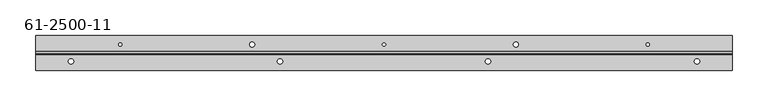
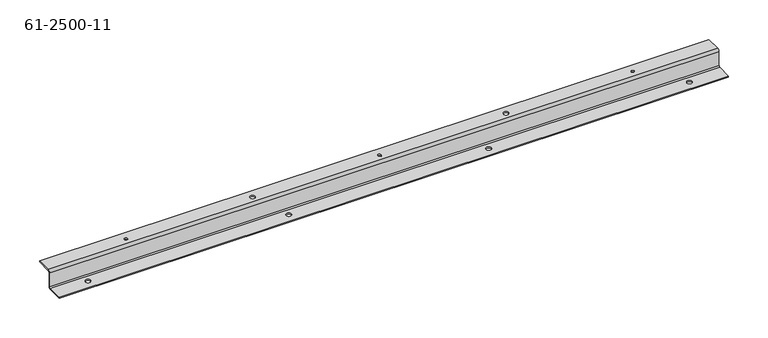
"""IFC4 building model written with IfcOpenShell, lengths in millimetres: proxy geometry, 61-2500-11."""

from ifc_helpers import new_model, si_unit, frame, origin, place, context, project, spatial, polyline, circle_curve, source, transform, mapped, element, save
from ifc_brep_helpers import plane_surface, cylinder_surface, revolved_surface, advanced_brep


def proxy_61_2500_11_7cb4d762(model_context):
    return source(origin(), model_context, "Body", "AdvancedBrep", [
        advanced_brep(
        [(930.2496, 12.7, 0.0), (930.2496, 12.7, 1.6129), (923.0106, 12.7, 1.6129), (923.0106, 12.7, 0.0), (345.9226, 12.7, 0.0), (345.9226, 12.7, 1.6129), (338.6836, 12.7, 1.6129), (338.6836, 12.7, 0.0), (53.1114, 12.7, 0.0), (53.1114, 12.7, 1.6129), (45.8724, 12.7, 1.6129), (45.8724, 12.7, 0.0), (637.4384, 12.7, 0.0), (637.4384, 12.7, 1.6129), (630.1994, 12.7, 1.6129), (630.1994, 12.7, 0.0), (859.8027, 36.4871, 26.3271), (859.8027, 36.4871, 27.94), (855.4593, 36.4871, 27.94), (855.4593, 36.4871, 26.3271), (120.6627, 36.4871, 26.3271), (120.6627, 36.4871, 27.94), (116.3193, 36.4871, 27.94), (116.3193, 36.4871, 26.3271), (490.2327, 36.4871, 26.3271), (490.2327, 36.4871, 27.94), (485.8893, 36.4871, 27.94), (485.8893, 36.4871, 26.3271), (306.8955, 36.4871, 26.3271), (306.8955, 36.4871, 27.94), (299.6565, 36.4871, 27.94), (299.6565, 36.4871, 26.3271), (676.4655, 36.4871, 26.3271), (676.4655, 36.4871, 27.94), (669.2265, 36.4871, 27.94), (669.2265, 36.4871, 26.3271), (976.122, 27.0129, 27.94), (0.0, 27.0129, 27.94), (0.0, 23.7871, 24.7142), (976.122, 23.7871, 24.7142), (0.0, 27.0129, 26.3271), (976.122, 27.0129, 26.3271), (976.122, 25.4, 24.7142), (0.0, 25.4, 24.7142), (976.122, 25.4, 3.2258), (0.0, 25.4, 3.2258), (976.122, 22.1742, 0.0), (0.0, 22.1742, 0.0), (976.122, 23.7871, 3.2258), (0.0, 23.7871, 3.2258), (0.0, 22.1742, 1.6129), (976.122, 22.1742, 1.6129), (976.122, 0.0, 0.0), (0.0, 0.0, 0.0), (976.122, 0.0, 1.6129), (0.0, 0.0, 1.6129), (0.0, 49.1871, 27.94), (0.0, 49.1871, 26.3271), (976.122, 49.1871, 27.94), (976.122, 49.1871, 26.3271)],
        [
            (0, 1),
            (1, 2, circle_curve(frame((926.6301, 12.7, 1.6129), z_axis=(0.0, 0.0, 1.0), x_axis=(1.0, 0.0, 0.0)), 3.6195)),
            (2, 3),
            (3, 0, circle_curve(frame((926.6301, 12.7, 0.0), z_axis=(0.0, 0.0, -1.0), x_axis=(1.0, 0.0, 0.0)), 3.6195)),
            (4, 5),
            (5, 6, circle_curve(frame((342.3031, 12.7, 1.6129), z_axis=(0.0, 0.0, 1.0), x_axis=(1.0, 0.0, 0.0)), 3.6195)),
            (6, 7),
            (7, 4, circle_curve(frame((342.3031, 12.7, 0.0), z_axis=(0.0, 0.0, -1.0), x_axis=(1.0, 0.0, 0.0)), 3.6195)),
            (8, 9),
            (9, 10, circle_curve(frame((49.4919, 12.7, 1.6129), z_axis=(0.0, 0.0, 1.0), x_axis=(1.0, 0.0, 0.0)), 3.6195)),
            (10, 11),
            (11, 8, circle_curve(frame((49.4919, 12.7, 0.0), z_axis=(0.0, 0.0, -1.0), x_axis=(1.0, 0.0, 0.0)), 3.6195)),
            (12, 13),
            (13, 14, circle_curve(frame((633.8189, 12.7, 1.6129), z_axis=(0.0, 0.0, 1.0), x_axis=(1.0, 0.0, 0.0)), 3.6195)),
            (14, 15),
            (15, 12, circle_curve(frame((633.8189, 12.7, 0.0), z_axis=(0.0, 0.0, -1.0), x_axis=(1.0, 0.0, 0.0)), 3.6195)),
            (16, 17),
            (17, 18, circle_curve(frame((857.631, 36.4871, 27.94), z_axis=(0.0, 0.0, 1.0), x_axis=(1.0, 0.0, 0.0)), 2.1717)),
            (18, 19),
            (19, 16, circle_curve(frame((857.631, 36.4871, 26.3271), z_axis=(0.0, 0.0, -1.0), x_axis=(1.0, 0.0, 0.0)), 2.1717)),
            (20, 21),
            (21, 22, circle_curve(frame((118.491, 36.4871, 27.94), z_axis=(0.0, 0.0, 1.0), x_axis=(1.0, 0.0, 0.0)), 2.1717)),
            (22, 23),
            (23, 20, circle_curve(frame((118.491, 36.4871, 26.3271), z_axis=(0.0, 0.0, -1.0), x_axis=(1.0, 0.0, 0.0)), 2.1717)),
            (24, 25),
            (25, 26, circle_curve(frame((488.061, 36.4871, 27.94), z_axis=(0.0, 0.0, 1.0), x_axis=(1.0, 0.0, 0.0)), 2.1717)),
            (26, 27),
            (27, 24, circle_curve(frame((488.061, 36.4871, 26.3271), z_axis=(0.0, 0.0, -1.0), x_axis=(1.0, 0.0, 0.0)), 2.1717)),
            (28, 29),
            (29, 30, circle_curve(frame((303.276, 36.4871, 27.94), z_axis=(0.0, 0.0, 1.0), x_axis=(1.0, 0.0, 0.0)), 3.6195)),
            (30, 31),
            (31, 28, circle_curve(frame((303.276, 36.4871, 26.3271), z_axis=(0.0, 0.0, -1.0), x_axis=(1.0, 0.0, 0.0)), 3.6195)),
            (32, 33),
            (33, 34, circle_curve(frame((672.846, 36.4871, 27.94), z_axis=(0.0, 0.0, 1.0), x_axis=(1.0, 0.0, 0.0)), 3.6195)),
            (34, 35),
            (35, 32, circle_curve(frame((672.846, 36.4871, 26.3271), z_axis=(0.0, 0.0, -1.0), x_axis=(1.0, 0.0, 0.0)), 3.6195)),
            (32, 35, circle_curve(frame((672.846, 36.4871, 26.3271), z_axis=(0.0, 0.0, -1.0), x_axis=(1.0, 0.0, 0.0)), 3.6195)),
            (34, 33, circle_curve(frame((672.846, 36.4871, 27.94), z_axis=(0.0, 0.0, 1.0), x_axis=(1.0, 0.0, 0.0)), 3.6195)),
            (28, 31, circle_curve(frame((303.276, 36.4871, 26.3271), z_axis=(0.0, 0.0, -1.0), x_axis=(1.0, 0.0, 0.0)), 3.6195)),
            (30, 29, circle_curve(frame((303.276, 36.4871, 27.94), z_axis=(0.0, 0.0, 1.0), x_axis=(1.0, 0.0, 0.0)), 3.6195)),
            (24, 27, circle_curve(frame((488.061, 36.4871, 26.3271), z_axis=(0.0, 0.0, -1.0), x_axis=(1.0, 0.0, 0.0)), 2.1717)),
            (26, 25, circle_curve(frame((488.061, 36.4871, 27.94), z_axis=(0.0, 0.0, 1.0), x_axis=(1.0, 0.0, 0.0)), 2.1717)),
            (20, 23, circle_curve(frame((118.491, 36.4871, 26.3271), z_axis=(0.0, 0.0, -1.0), x_axis=(1.0, 0.0, 0.0)), 2.1717)),
            (22, 21, circle_curve(frame((118.491, 36.4871, 27.94), z_axis=(0.0, 0.0, 1.0), x_axis=(1.0, 0.0, 0.0)), 2.1717)),
            (16, 19, circle_curve(frame((857.631, 36.4871, 26.3271), z_axis=(0.0, 0.0, -1.0), x_axis=(1.0, 0.0, 0.0)), 2.1717)),
            (18, 17, circle_curve(frame((857.631, 36.4871, 27.94), z_axis=(0.0, 0.0, 1.0), x_axis=(1.0, 0.0, 0.0)), 2.1717)),
            (12, 15, circle_curve(frame((633.8189, 12.7, 0.0), z_axis=(0.0, 0.0, -1.0), x_axis=(1.0, 0.0, 0.0)), 3.6195)),
            (14, 13, circle_curve(frame((633.8189, 12.7, 1.6129), z_axis=(0.0, 0.0, 1.0), x_axis=(1.0, 0.0, 0.0)), 3.6195)),
            (8, 11, circle_curve(frame((49.4919, 12.7, 0.0), z_axis=(0.0, 0.0, -1.0), x_axis=(1.0, 0.0, 0.0)), 3.6195)),
            (10, 9, circle_curve(frame((49.4919, 12.7, 1.6129), z_axis=(0.0, 0.0, 1.0), x_axis=(1.0, 0.0, 0.0)), 3.6195)),
            (4, 7, circle_curve(frame((342.3031, 12.7, 0.0), z_axis=(0.0, 0.0, -1.0), x_axis=(1.0, 0.0, 0.0)), 3.6195)),
            (6, 5, circle_curve(frame((342.3031, 12.7, 1.6129), z_axis=(0.0, 0.0, 1.0), x_axis=(1.0, 0.0, 0.0)), 3.6195)),
            (0, 3, circle_curve(frame((926.6301, 12.7, 0.0), z_axis=(0.0, 0.0, -1.0), x_axis=(1.0, 0.0, 0.0)), 3.6195)),
            (2, 1, circle_curve(frame((926.6301, 12.7, 1.6129), z_axis=(0.0, 0.0, 1.0), x_axis=(1.0, 0.0, 0.0)), 3.6195)),
            (36, 37),
            (37, 38, circle_curve(frame((0.0, 27.0129, 24.7142), z_axis=(1.0, 0.0, 0.0), x_axis=(0.0, -1.0, 0.0)), 3.2258)),
            (38, 39),
            (39, 36, circle_curve(frame((976.122, 27.0129, 24.7142), z_axis=(-1.0, 0.0, 0.0), x_axis=(0.0, -1.0, 0.0)), 3.2258)),
            (40, 41),
            (41, 42, circle_curve(frame((976.122, 27.0129, 24.7142), z_axis=(1.0, 0.0, 0.0), x_axis=(0.0, -1.0, 0.0)), 1.6129)),
            (42, 43),
            (43, 40, circle_curve(frame((0.0, 27.0129, 24.7142), z_axis=(-1.0, 0.0, 0.0), x_axis=(0.0, -1.0, 0.0)), 1.6129)),
            (42, 44),
            (44, 45),
            (45, 43),
            (44, 46, circle_curve(frame((976.122, 22.1742, 3.2258), z_axis=(-1.0, 0.0, 0.0), x_axis=(0.0, 0.0, -1.0)), 3.2258)),
            (46, 47),
            (47, 45, circle_curve(frame((0.0, 22.1742, 3.2258), z_axis=(1.0, 0.0, 0.0), x_axis=(0.0, 0.0, -1.0)), 3.2258)),
            (48, 49),
            (49, 50, circle_curve(frame((0.0, 22.1742, 3.2258), z_axis=(-1.0, 0.0, 0.0), x_axis=(0.0, 0.0, -1.0)), 1.6129)),
            (50, 51),
            (51, 48, circle_curve(frame((976.122, 22.1742, 3.2258), z_axis=(1.0, 0.0, 0.0), x_axis=(0.0, 0.0, -1.0)), 1.6129)),
            (46, 52),
            (52, 53),
            (53, 47),
            (54, 55),
            (55, 53),
            (52, 54),
            (50, 55),
            (54, 51),
            (38, 49),
            (48, 39),
            (37, 56),
            (56, 57),
            (57, 40),
            (36, 58),
            (58, 56),
            (41, 59),
            (59, 58),
            (59, 57),
        ],
        [
            revolved_surface(polyline([(930.2496, 12.7, 1.6128999999999678), (930.2496, 12.7, 0.0)]), (926.6301, 12.7, -976.1468728), (0.0, 0.0, 1.0)),
            revolved_surface(polyline([(345.9226, 12.7, 1.6128999999999678), (345.9226, 12.7, 0.0)]), (342.3031, 12.7, -976.1468728), (0.0, 0.0, 1.0)),
            revolved_surface(polyline([(53.1114, 12.7, 1.6128999999999678), (53.1114, 12.7, 0.0)]), (49.4919, 12.7, -976.1468728), (0.0, 0.0, 1.0)),
            revolved_surface(polyline([(637.4384, 12.7, 1.6128999999999678), (637.4384, 12.7, 0.0)]), (633.8189, 12.7, -976.1468728), (0.0, 0.0, 1.0)),
            revolved_surface(polyline([(859.8027, 36.4871, 27.940000000000055), (859.8027, 36.4871, 26.327099999999973)]), (857.631, 36.4871, -949.8197728), (0.0, 0.0, 1.0)),
            revolved_surface(polyline([(120.6627, 36.4871, 27.940000000000055), (120.6627, 36.4871, 26.327099999999973)]), (118.491, 36.4871, -949.8197728), (0.0, 0.0, 1.0)),
            revolved_surface(polyline([(490.23269999999997, 36.4871, 27.940000000000055), (490.23269999999997, 36.4871, 26.327099999999973)]), (488.061, 36.4871, -949.8197728), (0.0, 0.0, 1.0)),
            revolved_surface(polyline([(306.8955, 36.4871, 27.94), (306.8955, 36.4871, 26.3271)]), (303.276, 36.4871, 27.13355), (0.0, 0.0, 1.0)),
            revolved_surface(polyline([(676.4655, 36.4871, 27.94), (676.4655, 36.4871, 26.3271)]), (672.846, 36.4871, 27.13355), (0.0, 0.0, 1.0)),
            cylinder_surface(frame((488.061, 27.0129, 24.7142), z_axis=(-1.0, 0.0, 0.0), x_axis=(0.0, -1.0, 0.0)), 3.2258),
            revolved_surface(polyline([(0.0, 25.4, 24.7142), (976.122, 25.4, 24.7142)]), (488.061, 27.0129, 24.7142), (-1.0, 0.0, 0.0)),
            plane_surface(frame((488.061, 25.4, 13.97), z_axis=(0.0, 1.0, 0.0), x_axis=(0.0, 0.0, 1.0))),
            cylinder_surface(frame((488.061, 22.1742, 3.2258), z_axis=(1.0, 0.0, 0.0), x_axis=(0.0, 0.0, -1.0)), 3.2258),
            revolved_surface(polyline([(976.122, 22.1742, 1.6129), (0.0, 22.1742, 1.6129)]), (488.061, 22.1742, 3.2258), (1.0, 0.0, 0.0)),
            plane_surface(frame((488.061, 12.7, 0.0), z_axis=(0.0, 0.0, -1.0), x_axis=(1.0, 0.0, 0.0))),
            plane_surface(frame((976.122, 0.0, 0.0), z_axis=(0.0, -1.0, 0.0), x_axis=(0.0, 0.0, -1.0))),
            plane_surface(frame((488.061, 12.7, 1.6129), z_axis=(0.0, 0.0, 1.0), x_axis=(1.0, 0.0, 0.0))),
            plane_surface(frame((488.061, 23.7871, 13.97), z_axis=(0.0, -1.0, 0.0), x_axis=(0.0, 0.0, 1.0))),
            plane_surface(frame((0.0, 49.1871, 27.94), z_axis=(-1.0, 0.0, 0.0), x_axis=(0.0, 0.0, 1.0))),
            plane_surface(frame((488.061, 36.4871, 27.94), z_axis=(0.0, 0.0, 1.0), x_axis=(1.0, 0.0, 0.0))),
            plane_surface(frame((976.122, 23.7871, 27.94), z_axis=(1.0, 0.0, 0.0), x_axis=(0.0, 0.0, -1.0))),
            plane_surface(frame((976.122, 49.1871, 27.94), z_axis=(0.0, 1.0, 0.0), x_axis=(0.0, 0.0, 1.0))),
            plane_surface(frame((488.061, 36.4871, 26.3271), z_axis=(0.0, 0.0, -1.0), x_axis=(1.0, 0.0, 0.0))),
        ],
        [
            (0, [[1, 2, 3, 4]]),
            (1, [[5, 6, 7, 8]]),
            (2, [[9, 10, 11, 12]]),
            (3, [[13, 14, 15, 16]]),
            (4, [[17, 18, 19, 20]]),
            (5, [[21, 22, 23, 24]]),
            (6, [[25, 26, 27, 28]]),
            (7, [[29, 30, 31, 32]]),
            (8, [[33, 34, 35, 36]]),
            (8, [[-33, 37, -35, 38]]),
            (7, [[-29, 39, -31, 40]]),
            (6, [[-25, 41, -27, 42]]),
            (5, [[-21, 43, -23, 44]]),
            (4, [[-17, 45, -19, 46]]),
            (3, [[-13, 47, -15, 48]]),
            (2, [[-9, 49, -11, 50]]),
            (1, [[-5, 51, -7, 52]]),
            (0, [[-1, 53, -3, 54]]),
            (9, [[55, 56, 57, 58]]),
            (10, [[59, 60, 61, 62]]),
            (11, [[-61, 63, 64, 65]]),
            (12, [[-64, 66, 67, 68]]),
            (13, [[69, 70, 71, 72]]),
            (14, [[-67, 73, 74, 75], [-47, -16], [-49, -12], [-51, -8], [-53, -4]]),
            (15, [[76, 77, -74, 78]]),
            (16, [[-71, 79, -76, 80], [-48, -14], [-50, -10], [-52, -6], [-54, -2]]),
            (17, [[-57, 81, -69, 82]]),
            (18, [[83, 84, 85, -62, -65, -68, -75, -77, -79, -70, -81, -56]]),
            (19, [[-55, 86, 87, -83], [-38, -34], [-40, -30], [-42, -26], [-44, -22], [-46, -18]]),
            (20, [[88, 89, -86, -58, -82, -72, -80, -78, -73, -66, -63, -60]]),
            (21, [[90, -84, -87, -89]]),
            (22, [[-59, -85, -90, -88], [-32, -39], [-36, -37], [-41, -28], [-43, -24], [-45, -20]]),
        ],
    ),
    ])


if __name__ == "__main__":
    model = new_model("IFC4")
    model_context = context("Model", 3, world=origin())
    ifc_project = project(units=[si_unit("LENGTHUNIT", "METRE", prefix="MILLI")], contexts=[model_context])
    site = spatial("IfcSite", under=ifc_project)
    building = spatial("IfcBuilding", under=site)
    placement = place(None, origin())
    proxy_61_2500_11_shape = proxy_61_2500_11_7cb4d762(model_context)
    element("IfcBuildingElementProxy", 1, Name="61-2500-11", ObjectType="61-2500-11", at=placement, inside=building, context=model_context, shape_type="MappedRepresentation", body=[
        mapped(proxy_61_2500_11_shape, transform((0.0, 0.0, 0.0), x_axis=(1.0, 0.0, 0.0), y_axis=(0.0, 1.0, 0.0), z_axis=(0.0, 0.0, 1.0))),
    ])
    save(model, "model.ifc")
